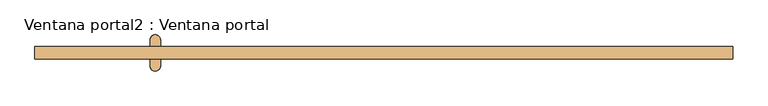
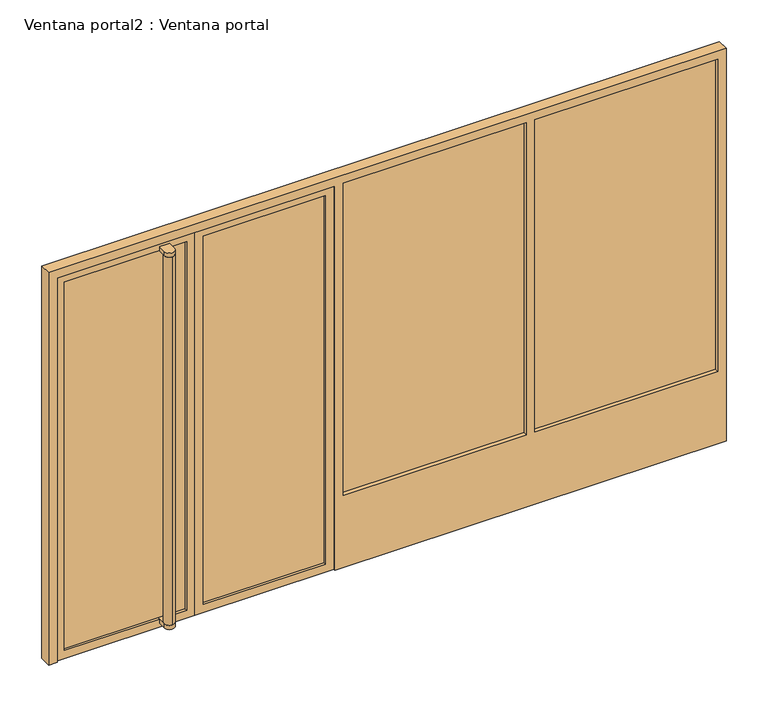
"""IFC4 building model written with IfcOpenShell, lengths in millimetres: door geometry, Ventana portal2 : Ventana portal."""

from ifc_helpers import new_model, si_unit, point, frame, frame_2d, origin, place, context, project, spatial, polyline, circle_curve, trimmed, segment, composite_curve, outline, extrude, source, transform, mapped, element, save


def ventana_portal2_ventana_portal_e65ac5f6(model_context):
    return source(origin(), model_context, "Body", "SweptSolid", [
        extrude(outline(polyline([(2400.0, 47469.3852488), (2400.0, 46649.3852488), (0.0, 46649.3852488), (0.0, 47469.3852488), (2400.0, 47469.3852488)]), holes=[polyline([(2350.0, 46699.3852488), (2350.0, 47419.3852488), (50.0, 47419.3852488), (50.0, 46699.3852488), (2350.0, 46699.3852488)])]), frame((0.0, 51.1764706, 0.0), z_axis=(0.0, 1.0, 0.0), x_axis=(0.0, 0.0, 1.0)), (0.0, 0.0, 1.0), 50.0),
        extrude(outline(composite_curve([segment(trimmed(circle_curve(frame_2d((46469.3852488, 150.438026)), 30.0), [point((46439.3852488, 150.438026))], [point((46499.3852488, 150.438026))], False, "CARTESIAN"), True, "CONTINUOUS"), segment(polyline([(46499.3852488, 150.438026), (46499.3852488, 1.9149152)]), True, "CONTINUOUS"), segment(trimmed(circle_curve(frame_2d((46469.3852488, 1.9149152)), 30.0), [point((46499.3852488, 1.9149152))], [point((46439.3852488, 1.9149152))], False, "CARTESIAN"), True, "CONTINUOUS"), segment(polyline([(46439.3852488, 1.9149152), (46439.3852488, 150.438026)]), True, "CONTINUOUS")], self_intersect=False)), frame((0.0, 0.0, 2350.0), z_axis=(0.0, 0.0, 1.0), x_axis=(1.0, 0.0, 0.0)), (0.0, 0.0, 1.0), 25.0),
        extrude(outline(composite_curve([segment(trimmed(circle_curve(frame_2d((46469.3852488, 150.438026)), 30.0), [point((46439.3852488, 150.438026))], [point((46499.3852488, 150.438026))], False, "CARTESIAN"), True, "CONTINUOUS"), segment(polyline([(46499.3852488, 150.438026), (46499.3852488, 1.9149152)]), True, "CONTINUOUS"), segment(trimmed(circle_curve(frame_2d((46469.3852488, 1.9149152)), 30.0), [point((46499.3852488, 1.9149152))], [point((46439.3852488, 1.9149152))], False, "CARTESIAN"), True, "CONTINUOUS"), segment(polyline([(46439.3852488, 1.9149152), (46439.3852488, 150.438026)]), True, "CONTINUOUS")], self_intersect=False)), frame((0.0, 0.0, 25.0), z_axis=(0.0, 0.0, 1.0), x_axis=(1.0, 0.0, 0.0)), (0.0, 0.0, 1.0), 25.0),
        extrude(outline(composite_curve([segment(trimmed(circle_curve(frame_2d((46469.3852488, 1.9149152)), 30.0), [point((46469.3852488, -28.0850848))], [point((46469.3852488, 31.9149152))], False, "CARTESIAN"), True, "CONTINUOUS"), segment(trimmed(circle_curve(frame_2d((46469.3852488, 1.9149152)), 30.0), [point((46469.3852488, 31.9149152))], [point((46469.3852488, -28.0850848))], False, "CARTESIAN"), True, "CONTINUOUS")], self_intersect=False)), frame((0.0, 0.0, 50.0), z_axis=(0.0, 0.0, 1.0), x_axis=(1.0, 0.0, 0.0)), (0.0, 0.0, 1.0), 2300.0),
        extrude(outline(composite_curve([segment(trimmed(circle_curve(frame_2d((46469.3852488, 150.438026)), 30.0), [point((46469.3852488, 180.438026))], [point((46469.3852488, 120.438026))], False, "CARTESIAN"), True, "CONTINUOUS"), segment(trimmed(circle_curve(frame_2d((46469.3852488, 150.438026)), 30.0), [point((46469.3852488, 120.438026))], [point((46469.3852488, 180.438026))], False, "CARTESIAN"), True, "CONTINUOUS")], self_intersect=False)), frame((0.0, 0.0, 50.0), z_axis=(0.0, 0.0, 1.0), x_axis=(1.0, 0.0, 0.0)), (0.0, 0.0, 1.0), 2300.0),
        extrude(outline(polyline([(46599.3852488, 66.1764706), (45879.3852488, 66.1764706), (45879.3852488, 86.1764706), (46599.3852488, 86.1764706), (46599.3852488, 66.1764706)])), frame((0.0, 0.0, 50.0), z_axis=(0.0, 0.0, 1.0), x_axis=(1.0, 0.0, 0.0)), (0.0, 0.0, 1.0), 2300.0),
        extrude(outline(polyline([(47419.3852488, 66.1764706), (46699.3852488, 66.1764706), (46699.3852488, 86.1764706), (47419.3852488, 86.1764706), (47419.3852488, 66.1764706)])), frame((0.0, 0.0, 50.0), z_axis=(0.0, 0.0, 1.0), x_axis=(1.0, 0.0, 0.0)), (0.0, 0.0, 1.0), 2300.0),
        extrude(outline(polyline([(49729.3852488, 66.1764706), (48649.3852488, 66.1764706), (48649.3852488, 86.1764706), (49729.3852488, 86.1764706), (49729.3852488, 66.1764706)])), frame((0.0, 0.0, 434.9257941), z_axis=(0.0, 0.0, 1.0), x_axis=(1.0, 0.0, 0.0)), (0.0, 0.0, 1.0), 1965.0742059),
        extrude(outline(polyline([(48599.3852488, 66.1764706), (47519.3852488, 66.1764706), (47519.3852488, 86.1764706), (48599.3852488, 86.1764706), (48599.3852488, 66.1764706)])), frame((0.0, 0.0, 450.0), z_axis=(0.0, 0.0, 1.0), x_axis=(1.0, 0.0, 0.0)), (0.0, 0.0, 1.0), 1950.0),
        extrude(outline(polyline([(2400.0, 45829.3852488), (0.0, 45829.3852488), (0.0, 46649.3852488), (2400.0, 46649.3852488), (2400.0, 45829.3852488)]), holes=[polyline([(2350.0, 46599.3852488), (50.0, 46599.3852488), (50.0, 45879.3852488), (2350.0, 45879.3852488), (2350.0, 46599.3852488)])]), frame((0.0, 51.1764706, 0.0), z_axis=(0.0, 1.0, 0.0), x_axis=(0.0, 0.0, 1.0)), (0.0, 0.0, 1.0), 50.0),
        extrude(outline(polyline([(2450.0, 49779.3852488), (2450.0, 45779.3852488), (0.0, 45779.3852488), (0.0, 45829.3852488), (2400.0, 45829.3852488), (2400.0, 47469.3852488), (0.0, 47469.3852488), (0.0, 49779.3852488), (2450.0, 49779.3852488)]), holes=[polyline([(450.0, 48599.3852488), (450.0, 47519.3852488), (2400.0, 47519.3852488), (2400.0, 48599.3852488), (450.0, 48599.3852488)]), polyline([(2400.0, 49729.3852488), (450.0, 49729.3852488), (450.0, 48649.3852488), (2400.0, 48649.3852488), (2400.0, 49729.3852488)])]), frame((0.0, 41.1764706, 0.0), z_axis=(0.0, 1.0, 0.0), x_axis=(0.0, 0.0, 1.0)), (0.0, 0.0, 1.0), 70.0),
    ])


if __name__ == "__main__":
    model = new_model("IFC4")
    model_context = context("Model", 3, world=origin())
    ifc_project = project(units=[si_unit("LENGTHUNIT", "METRE", prefix="MILLI")], contexts=[model_context])
    site = spatial("IfcSite", under=ifc_project)
    building = spatial("IfcBuilding", under=site)
    placement = place(None, origin())
    ventana_portal2_ventana_portal_shape = ventana_portal2_ventana_portal_e65ac5f6(model_context)
    element("IfcDoor", 1, ObjectType="Ventana portal2 : Ventana portal", at=placement, inside=building, context=model_context, shape_type="MappedRepresentation", body=[
        mapped(ventana_portal2_ventana_portal_shape, transform((0.0, 0.0, 0.0), x_axis=(1.0, 0.0, 0.0), y_axis=(0.0, 1.0, 0.0), z_axis=(0.0, 0.0, 1.0))),
    ])
    save(model, "model.ifc")
